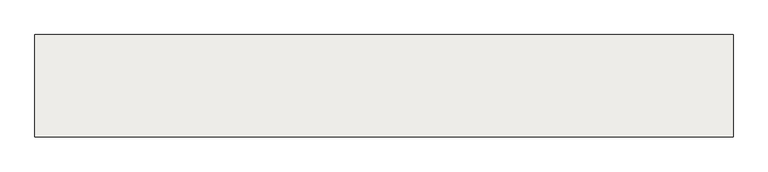
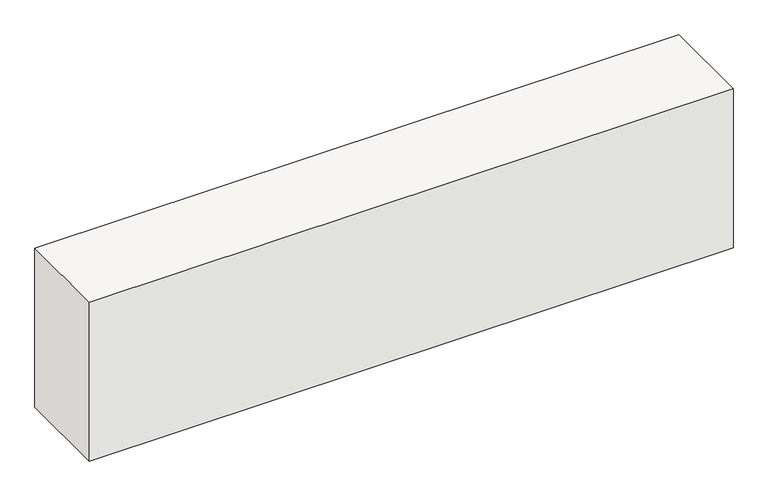
"""IFC4 building model written with IfcOpenShell, lengths in millimetres: slab geometry."""

import ifcopenshell
import ifcopenshell.guid

model = None  # the IFC model being written
_history = None  # IfcOwnerHistory: only IFC2X3 demands one
_inside = {}  # id of a spatial element -> (the spatial element, [elements in it])
_under = {}  # id of a project, library or spatial element -> (it, [spatial elements below it])
_declared = {}  # id of a project -> (the project, [libraries it declares])
_typed = {}  # id of a type object -> (the type object, [elements of that type])
_made_of = {}  # id of a material, layer set ... -> (it, [elements and type objects made of it])


def new_model(schema):
    """Start an empty IFC model of exactly this schema.

    Asked for "IFC4X3", IfcOpenShell would pick the latest addendum, in which some entities
    have other attributes; the version numbers below select the first issue.
    IFC2X3 requires an IfcOwnerHistory on every rooted entity: one is made here for all.
    """
    global model, _history
    if schema == "IFC4X3":
        model = ifcopenshell.file(schema_version=(4, 3, 0, 0))
    else:
        model = ifcopenshell.file(schema=schema)
    _inside.clear()
    _under.clear()
    _declared.clear()
    _typed.clear()
    _made_of.clear()
    _history = None
    if model.schema == "IFC2X3":
        org = make("IfcOrganization", Name="unknown")
        user = make(
            "IfcPersonAndOrganization",
            ThePerson=make("IfcPerson", FamilyName="unknown"),
            TheOrganization=org,
        )
        app = make(
            "IfcApplication",
            ApplicationDeveloper=org,
            Version="unknown",
            ApplicationFullName="unknown",
            ApplicationIdentifier="unknown",
        )
        _history = make(
            "IfcOwnerHistory",
            OwningUser=user,
            OwningApplication=app,
            ChangeAction="ADDED",
            CreationDate=0,
        )
    return model


def make(cls, **values):
    """One entity of the class cls with the attributes given. An attribute that is None is left unset."""
    return model.create_entity(
        cls, **{name: value for name, value in values.items() if value is not None}
    )


def rooted(cls, **values):
    """An entity with a GlobalId (a new one), such as an element, a storey or a relation."""
    return make(cls, GlobalId=ifcopenshell.guid.new(), OwnerHistory=_history, **values)


def si_unit(unit_type, name, prefix=None):
    """IfcSIUnit, for example si_unit("LENGTHUNIT", "METRE", prefix="MILLI")."""
    return make("IfcSIUnit", UnitType=unit_type, Prefix=prefix, Name=name)


def assignment(units):
    """IfcUnitAssignment: the units of a project."""
    return None if units is None else make("IfcUnitAssignment", Units=units)


def point(xyz):
    """IfcCartesianPoint."""
    return None if xyz is None else make("IfcCartesianPoint", Coordinates=xyz)


def direction(xyz):
    """IfcDirection."""
    return None if xyz is None else make("IfcDirection", DirectionRatios=xyz)


def frame(location, z_axis=None, x_axis=None):
    """IfcAxis2Placement3D, a coordinate frame: its origin and axes. An axis left out is left unset."""
    return make(
        "IfcAxis2Placement3D",
        Location=point(location),
        Axis=direction(z_axis),
        RefDirection=direction(x_axis),
    )


def origin():
    """The frame at (0, 0, 0) with its axes left unset."""
    return frame((0.0, 0.0, 0.0))


def place(relative_to, where):
    """IfcLocalPlacement: puts the frame where relative to a parent placement (None: the world)."""
    return make(
        "IfcLocalPlacement", PlacementRelTo=relative_to, RelativePlacement=where
    )


def context(
    kind, dimensions, precision=None, world=None, true_north=None, identifier=None
):
    """IfcGeometricRepresentationContext, for example the 3D "Model" context."""
    return make(
        "IfcGeometricRepresentationContext",
        ContextIdentifier=identifier,
        ContextType=kind,
        CoordinateSpaceDimension=dimensions,
        Precision=precision,
        WorldCoordinateSystem=world,
        TrueNorth=true_north,
    )


def project(units=None, contexts=None):
    """IfcProject with its units and contexts."""
    return rooted(
        "IfcProject",
        Name="project",
        RepresentationContexts=contexts,
        UnitsInContext=assignment(units),
    )


def spatial(cls, under=None, at=None, **own):
    """A site, building, storey or space (cls), placed at a placement, below another one or the project."""
    s = rooted(cls, ObjectPlacement=at, **own)
    if under is not None:
        _under.setdefault(under.id(), (under, []))[1].append(s)
    return s


def polyline(points):
    """IfcPolyline through the points."""
    return make("IfcPolyline", Points=[point(p) for p in points])


def outline(outer, holes=None, kind="AREA"):
    """IfcArbitraryClosedProfileDef: a profile drawn as a closed curve; with holes, ...WithVoids."""
    if holes is None:
        return make("IfcArbitraryClosedProfileDef", ProfileType=kind, OuterCurve=outer)
    return make(
        "IfcArbitraryProfileDefWithVoids",
        ProfileType=kind,
        OuterCurve=outer,
        InnerCurves=holes,
    )


def extrude(swept, where, along, depth):
    """IfcExtrudedAreaSolid: the profile swept, set in the frame where, extruded along a direction by depth."""
    return make(
        "IfcExtrudedAreaSolid",
        SweptArea=swept,
        Position=where,
        ExtrudedDirection=direction(along),
        Depth=depth,
    )


def shape(context_of_items, identifier, shape_type, items):
    """IfcShapeRepresentation: the items that make up one representation, for example the "Body"."""
    return make(
        "IfcShapeRepresentation",
        ContextOfItems=context_of_items,
        RepresentationIdentifier=identifier,
        RepresentationType=shape_type,
        Items=items,
    )


def source(mapping_origin, context_of_items, identifier, shape_type, items):
    """IfcRepresentationMap: a shape defined once, which mapped items show again and again."""
    return make(
        "IfcRepresentationMap",
        MappingOrigin=mapping_origin,
        MappedRepresentation=shape(context_of_items, identifier, shape_type, items),
    )


def transform(
    local_origin,
    x_axis=None,
    y_axis=None,
    z_axis=None,
    scale=None,
    scale2=None,
    scale3=None,
    uniform=True,
):
    """IfcCartesianTransformationOperator3D, or its non-uniform kind. x_axis, y_axis, z_axis: its Axis1, 2, 3."""
    if uniform:
        return make(
            "IfcCartesianTransformationOperator3D",
            Axis1=direction(x_axis),
            Axis2=direction(y_axis),
            LocalOrigin=point(local_origin),
            Scale=scale,
            Axis3=direction(z_axis),
        )
    return make(
        "IfcCartesianTransformationOperator3DnonUniform",
        Axis1=direction(x_axis),
        Axis2=direction(y_axis),
        LocalOrigin=point(local_origin),
        Scale=scale,
        Axis3=direction(z_axis),
        Scale2=scale2,
        Scale3=scale3,
    )


def mapped(mapping_source, mapping_target):
    """IfcMappedItem: shows the shape of a source again, moved by a transform."""
    return make(
        "IfcMappedItem", MappingSource=mapping_source, MappingTarget=mapping_target
    )


def made_of(thing, what):
    """Note that an element or type object is made of a material, layer set ...; save() writes the relation."""
    if what is not None:
        _made_of.setdefault(what.id(), (what, []))[1].append(thing)
    return thing


def element(
    cls,
    number,
    at=None,
    inside=None,
    cuts=None,
    type_object=None,
    material=None,
    context=None,
    identifier="Body",
    shape_type=None,
    held_by="IfcProductDefinitionShape",
    body=None,
    shapes=None,
    **own,
):
    """One element of the class cls, such as IfcWall. Its Tag is "e" and its number.

    at: its placement. inside: the storey or other place that contains it. cuts: it is an
    opening in that element (IfcRelVoidsElement). A single representation is given by context,
    identifier, shape_type and body (its items); several are given by shapes. held_by: the class
    of the entity that holds the representations. save() writes the other relations.
    """
    e = rooted(cls, Tag="e%d" % number, ObjectPlacement=at, **own)
    if body is not None:
        shapes = [shape(context, identifier, shape_type, body)]
    if shapes is not None:
        e.Representation = make(held_by, Representations=shapes)
    if inside is not None:
        _inside.setdefault(inside.id(), (inside, []))[1].append(e)
    if cuts is not None:
        rooted(
            "IfcRelVoidsElement", RelatingBuildingElement=cuts, RelatedOpeningElement=e
        )
    if type_object is not None:
        _typed.setdefault(type_object.id(), (type_object, []))[1].append(e)
    return made_of(e, material)


def aggregate(whole, parts):
    """IfcRelAggregates: a whole, such as a stair, and the parts it consists of."""
    return rooted("IfcRelAggregates", RelatingObject=whole, RelatedObjects=parts)


def save(model, path):
    """Write the relations noted so far, then the file.

    IfcRelAggregates (storeys below a building ...), IfcRelContainedInSpatialStructure (elements
    in a storey), IfcRelDefinesByType, IfcRelAssociatesMaterial and IfcRelDeclares: one each for
    every whole, place, type object, material and project.
    """
    for whole, parts in _under.values():
        aggregate(whole, parts)
    for where, things in _inside.values():
        rooted(
            "IfcRelContainedInSpatialStructure",
            RelatedElements=things,
            RelatingStructure=where,
        )
    for kind, things in _typed.values():
        rooted("IfcRelDefinesByType", RelatedObjects=things, RelatingType=kind)
    for what, things in _made_of.values():
        rooted("IfcRelAssociatesMaterial", RelatedObjects=things, RelatingMaterial=what)
    for by, libraries in _declared.values():
        rooted("IfcRelDeclares", RelatingContext=by, RelatedDefinitions=libraries)
    model.write(path)


def slab_6a359333(model_context):
    return source(origin(), model_context, "Body", "SweptSolid", [
        extrude(outline(polyline([(-11435.8729589, 3834.2068086), (-11435.8729589, 4434.2068086), (-7335.8729589, 4434.2068086), (-7335.8729589, 3834.2068086), (-11435.8729589, 3834.2068086)])), frame((0.0, 0.0, -1390.0), z_axis=(0.0, 0.0, 1.0), x_axis=(1.0, 0.0, 0.0)), (0.0, 0.0, 1.0), 1070.0),
    ])


if __name__ == "__main__":
    model = new_model("IFC4")
    model_context = context("Model", 3, world=origin())
    ifc_project = project(units=[si_unit("LENGTHUNIT", "METRE", prefix="MILLI")], contexts=[model_context])
    site = spatial("IfcSite", under=ifc_project)
    building = spatial("IfcBuilding", under=site)
    placement = place(None, origin())
    slab_shape = slab_6a359333(model_context)
    element("IfcSlab", 1, at=placement, inside=building, context=model_context, shape_type="MappedRepresentation", body=[
        mapped(slab_shape, transform((0.0, 0.0, 0.0), x_axis=(1.0, 0.0, 0.0), y_axis=(0.0, 1.0, 0.0), z_axis=(0.0, 0.0, 1.0))),
    ])
    save(model, "model.ifc")
